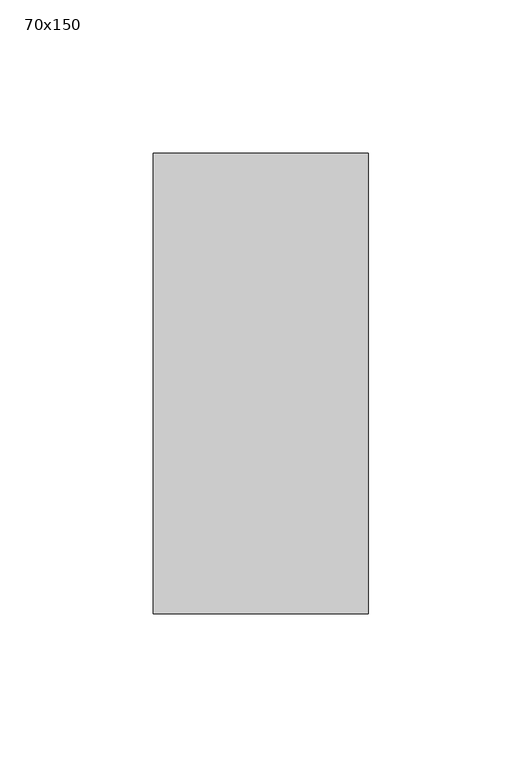
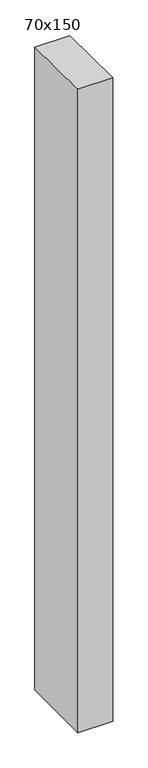
"""IFC4 building model written with IfcOpenShell, lengths in millimetres: member geometry, 70x150."""

from ifc_helpers import new_model, si_unit, frame, origin, place, context, project, spatial, polyline, outline, extrude, source, transform, mapped, element, save


def member_70x150_8a61c240(model_context):
    return source(origin(), model_context, "Body", "SweptSolid", [
        extrude(outline(polyline([(-75.0, 0.8390931), (75.0, -0.8390931), (75.0, -1371.674934), (-75.0, -1371.5381458), (-75.0, 0.8390931)])), frame((-35.0, 0.0, 0.0), z_axis=(1.0, 0.0, 0.0), x_axis=(0.0, 1.0, 0.0)), (0.0, 0.0, 1.0), 70.0),
    ])


if __name__ == "__main__":
    model = new_model("IFC4")
    model_context = context("Model", 3, world=origin())
    ifc_project = project(units=[si_unit("LENGTHUNIT", "METRE", prefix="MILLI")], contexts=[model_context])
    site = spatial("IfcSite", under=ifc_project)
    building = spatial("IfcBuilding", under=site)
    placement = place(None, origin())
    member_70x150_shape = member_70x150_8a61c240(model_context)
    element("IfcMember", 1, ObjectType="70x150", at=placement, inside=building, context=model_context, shape_type="MappedRepresentation", body=[
        mapped(member_70x150_shape, transform((0.0, 0.0, 0.0), x_axis=(1.0, 0.0, 0.0), y_axis=(0.0, 1.0, 0.0), z_axis=(0.0, 0.0, 1.0))),
    ])
    save(model, "model.ifc")
